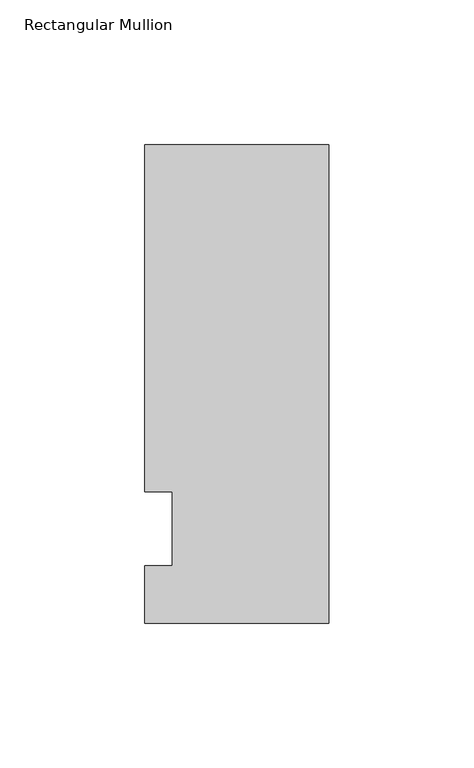
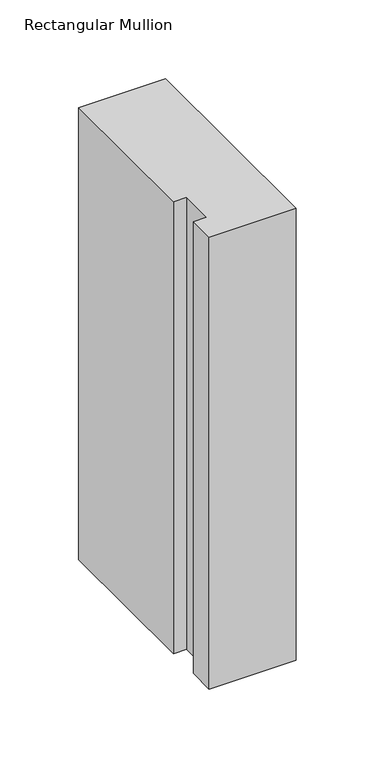
"""IFC4 building model written with IfcOpenShell, lengths in millimetres: member geometry, Rectangular Mullion."""

from ifc_helpers import new_model, si_unit, frame, origin, place, context, project, spatial, polyline, outline, extrude, source, transform, mapped, element, save


def rectangular_mullion_19a8b918(model_context):
    return source(origin(), model_context, "Body", "SweptSolid", [
        extrude(outline(polyline([(-63.5, -32.54375), (-63.5, -12.7), (-53.975, -12.7), (-53.975, 12.7), (-63.5, 12.7), (-63.5, 132.55625), (0.0, 132.55625), (0.0, -32.54375), (-63.5, -32.54375)])), frame((0.0, 0.0, -349.25), z_axis=(0.0, 0.0, 1.0), x_axis=(1.0, 0.0, 0.0)), (0.0, 0.0, 1.0), 349.25),
    ])


if __name__ == "__main__":
    model = new_model("IFC4")
    model_context = context("Model", 3, world=origin())
    ifc_project = project(units=[si_unit("LENGTHUNIT", "METRE", prefix="MILLI")], contexts=[model_context])
    site = spatial("IfcSite", under=ifc_project)
    building = spatial("IfcBuilding", under=site)
    placement = place(None, origin())
    rectangular_mullion_shape = rectangular_mullion_19a8b918(model_context)
    element("IfcMember", 1, ObjectType="Rectangular Mullion", at=placement, inside=building, context=model_context, shape_type="MappedRepresentation", body=[
        mapped(rectangular_mullion_shape, transform((0.0, 0.0, 0.0), x_axis=(1.0, 0.0, 0.0), y_axis=(0.0, 1.0, 0.0), z_axis=(0.0, 0.0, 1.0))),
    ])
    save(model, "model.ifc")
